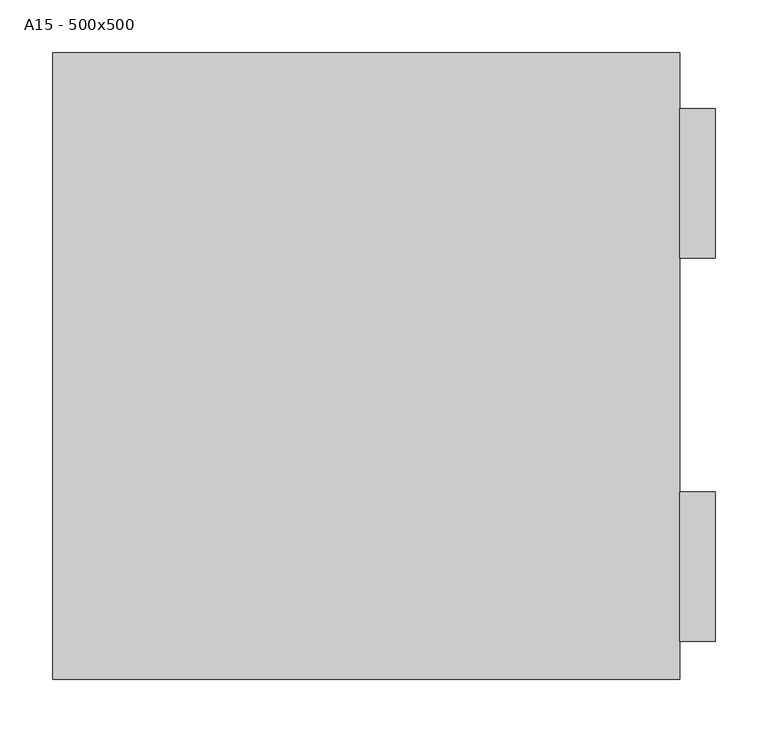
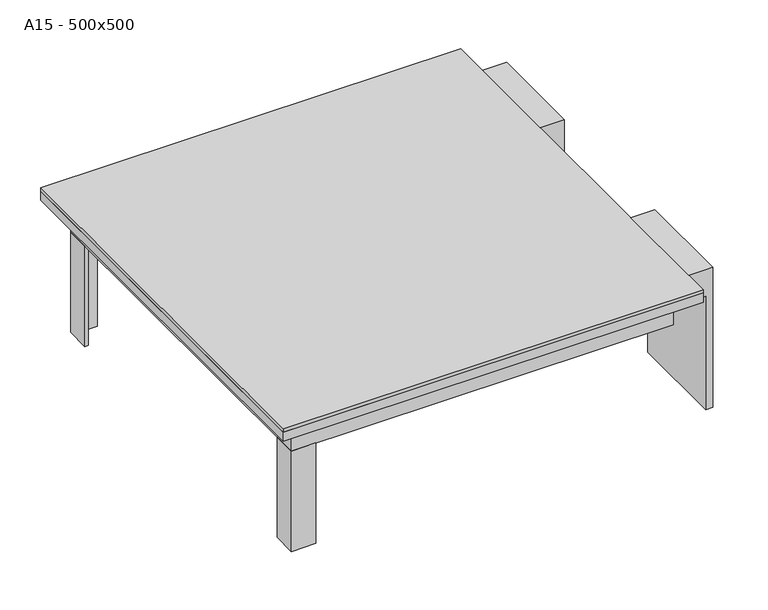
"""IFC4 building model written with IfcOpenShell, lengths in millimetres: proxy geometry, A15 - 500x500."""

from ifc_helpers import new_model, si_unit, frame, origin, place, context, project, spatial, polyline, outline, extrude, faceted_brep, source, transform, mapped, element, save


def a15_500x500_c16634db(model_context):
    return source(origin(), model_context, "Body", "SolidModel", [
        extrude(outline(polyline([(0.0, 332.0), (0.0, 298.0), (-40.0, 298.0), (-40.0, 322.0), (-210.175026, 322.0), (-210.175026, 332.0), (0.0, 332.0)])), frame((0.0, -262.0, 0.0), z_axis=(0.0, 1.0, 0.0), x_axis=(0.0, 0.0, 1.0)), (0.0, 0.0, 1.0), 142.0),
        extrude(outline(polyline([(0.0, 332.0), (0.0, 298.0), (-40.0, 298.0), (-40.0, 322.0), (-210.175026, 322.0), (-210.175026, 332.0), (0.0, 332.0)])), frame((0.0, 102.5, 0.0), z_axis=(0.0, 1.0, 0.0), x_axis=(0.0, 0.0, 1.0)), (0.0, 0.0, 1.0), 142.0),
        extrude(outline(polyline([(-271.0, 271.0), (-236.0, 271.0), (-236.0, 266.0), (-266.0, 266.0), (-266.0, 236.0), (-271.0, 236.0), (-271.0, 271.0)])), frame((0.0, 0.0, -210.0), z_axis=(0.0, 0.0, 1.0), x_axis=(1.0, 0.0, 0.0)), (0.0, 0.0, 1.0), 150.5),
        extrude(outline(polyline([(-271.0, -271.0), (-271.0, -236.0), (-266.0, -236.0), (-266.0, -266.0), (-236.0, -266.0), (-236.0, -271.0), (-271.0, -271.0)])), frame((0.0, 0.0, -210.0), z_axis=(0.0, 0.0, 1.0), x_axis=(1.0, 0.0, 0.0)), (0.0, 0.0, 1.0), 150.5),
        extrude(outline(polyline([(298.0, 298.0), (298.0, -298.0), (-298.0, -298.0), (-298.0, 298.0), (298.0, 298.0)])), frame((0.0, 0.0, -5.0), z_axis=(0.0, 0.0, 1.0), x_axis=(1.0, 0.0, 0.0)), (0.0, 0.0, 1.0), 5.0),
        faceted_brep([(298.0, 298.0, -19.0), (298.0, 298.0, -5.0), (298.0, -298.0, -5.0), (298.0, -298.0, -19.0), (250.0, 250.0, -57.5), (250.0, 250.0, -59.5), (250.0, -250.0, -59.5), (250.0, -250.0, -57.5), (296.0, 296.0, -5.0), (296.0, 296.0, -17.0), (296.0, -296.0, -17.0), (296.0, -296.0, -5.0), (-298.0, -298.0, -5.0), (-298.0, -298.0, -19.0), (-250.0, -250.0, -59.5), (-250.0, -250.0, -57.5), (-296.0, -296.0, -17.0), (-296.0, -296.0, -5.0), (-298.0, 298.0, -5.0), (-298.0, 298.0, -19.0), (-250.0, 250.0, -59.5), (-250.0, 250.0, -57.5), (-296.0, 296.0, -17.0), (-296.0, 296.0, -5.0), (271.0, -271.0, -59.5), (-271.0, -271.0, -59.5), (-271.0, 271.0, -59.5), (271.0, 271.0, -59.5), (269.0, 269.0, -57.5), (-269.0, 269.0, -57.5), (-269.0, -269.0, -57.5), (269.0, -269.0, -57.5), (271.0, 271.0, -19.0), (271.0, -271.0, -19.0), (269.0, 269.0, -17.0), (269.0, -269.0, -17.0), (-271.0, -271.0, -19.0), (-269.0, -269.0, -17.0), (-271.0, 271.0, -19.0), (-269.0, 269.0, -17.0)], [[[0, 1, 2, 3]], [[4, 5, 6, 7]], [[8, 9, 10, 11]], [[3, 2, 12, 13]], [[7, 6, 14, 15]], [[11, 10, 16, 17]], [[13, 12, 18, 19]], [[15, 14, 20, 21]], [[17, 16, 22, 23]], [[19, 18, 1, 0]], [[24, 25, 26, 27], [5, 20, 14, 6]], [[21, 20, 5, 4]], [[28, 29, 30, 31], [7, 15, 21, 4]], [[23, 22, 9, 8]], [[27, 32, 33, 24]], [[34, 28, 31, 35]], [[24, 33, 36, 25]], [[35, 31, 30, 37]], [[25, 36, 38, 26]], [[37, 30, 29, 39]], [[3, 13, 19, 0], [32, 38, 36, 33]], [[26, 38, 32, 27]], [[39, 29, 28, 34]], [[9, 22, 16, 10], [35, 37, 39, 34]], [[1, 18, 12, 2], [11, 17, 23, 8]]]),
    ])


if __name__ == "__main__":
    model = new_model("IFC4")
    model_context = context("Model", 3, world=origin())
    ifc_project = project(units=[si_unit("LENGTHUNIT", "METRE", prefix="MILLI")], contexts=[model_context])
    site = spatial("IfcSite", under=ifc_project)
    building = spatial("IfcBuilding", under=site)
    placement = place(None, origin())
    a15_500x500_shape = a15_500x500_c16634db(model_context)
    element("IfcBuildingElementProxy", 1, Name="A15 - 500x500", ObjectType="A15 - 500x500", at=placement, inside=building, context=model_context, shape_type="MappedRepresentation", body=[
        mapped(a15_500x500_shape, transform((0.0, 0.0, 0.0), x_axis=(1.0, 0.0, 0.0), y_axis=(0.0, 1.0, 0.0), z_axis=(0.0, 0.0, 1.0))),
    ])
    save(model, "model.ifc")
